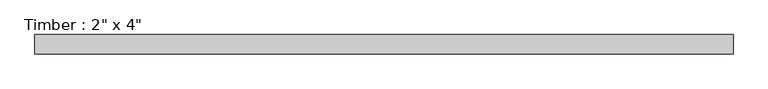
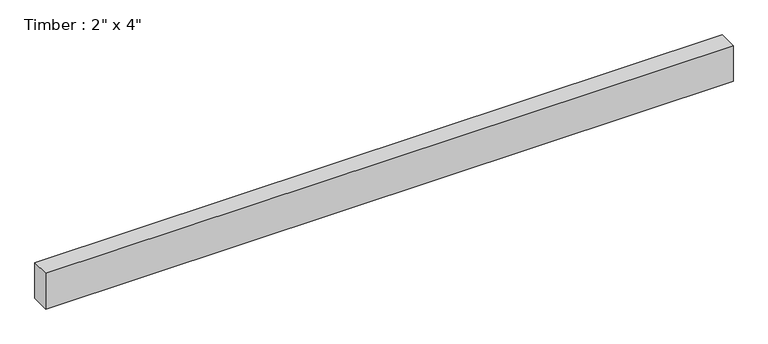
"""IFC4 building model written with IfcOpenShell, lengths in millimetres: beam geometry."""

import ifcopenshell
import ifcopenshell.guid

model = None  # the IFC model being written
_history = None  # IfcOwnerHistory: only IFC2X3 demands one
_inside = {}  # id of a spatial element -> (the spatial element, [elements in it])
_under = {}  # id of a project, library or spatial element -> (it, [spatial elements below it])
_declared = {}  # id of a project -> (the project, [libraries it declares])
_typed = {}  # id of a type object -> (the type object, [elements of that type])
_made_of = {}  # id of a material, layer set ... -> (it, [elements and type objects made of it])


def new_model(schema):
    """Start an empty IFC model of exactly this schema.

    Asked for "IFC4X3", IfcOpenShell would pick the latest addendum, in which some entities
    have other attributes; the version numbers below select the first issue.
    IFC2X3 requires an IfcOwnerHistory on every rooted entity: one is made here for all.
    """
    global model, _history
    if schema == "IFC4X3":
        model = ifcopenshell.file(schema_version=(4, 3, 0, 0))
    else:
        model = ifcopenshell.file(schema=schema)
    _inside.clear()
    _under.clear()
    _declared.clear()
    _typed.clear()
    _made_of.clear()
    _history = None
    if model.schema == "IFC2X3":
        org = make("IfcOrganization", Name="unknown")
        user = make(
            "IfcPersonAndOrganization",
            ThePerson=make("IfcPerson", FamilyName="unknown"),
            TheOrganization=org,
        )
        app = make(
            "IfcApplication",
            ApplicationDeveloper=org,
            Version="unknown",
            ApplicationFullName="unknown",
            ApplicationIdentifier="unknown",
        )
        _history = make(
            "IfcOwnerHistory",
            OwningUser=user,
            OwningApplication=app,
            ChangeAction="ADDED",
            CreationDate=0,
        )
    return model


def make(cls, **values):
    """One entity of the class cls with the attributes given. An attribute that is None is left unset."""
    return model.create_entity(
        cls, **{name: value for name, value in values.items() if value is not None}
    )


def rooted(cls, **values):
    """An entity with a GlobalId (a new one), such as an element, a storey or a relation."""
    return make(cls, GlobalId=ifcopenshell.guid.new(), OwnerHistory=_history, **values)


def si_unit(unit_type, name, prefix=None):
    """IfcSIUnit, for example si_unit("LENGTHUNIT", "METRE", prefix="MILLI")."""
    return make("IfcSIUnit", UnitType=unit_type, Prefix=prefix, Name=name)


def assignment(units):
    """IfcUnitAssignment: the units of a project."""
    return None if units is None else make("IfcUnitAssignment", Units=units)


def point(xyz):
    """IfcCartesianPoint."""
    return None if xyz is None else make("IfcCartesianPoint", Coordinates=xyz)


def direction(xyz):
    """IfcDirection."""
    return None if xyz is None else make("IfcDirection", DirectionRatios=xyz)


def frame(location, z_axis=None, x_axis=None):
    """IfcAxis2Placement3D, a coordinate frame: its origin and axes. An axis left out is left unset."""
    return make(
        "IfcAxis2Placement3D",
        Location=point(location),
        Axis=direction(z_axis),
        RefDirection=direction(x_axis),
    )


def origin():
    """The frame at (0, 0, 0) with its axes left unset."""
    return frame((0.0, 0.0, 0.0))


def place(relative_to, where):
    """IfcLocalPlacement: puts the frame where relative to a parent placement (None: the world)."""
    return make(
        "IfcLocalPlacement", PlacementRelTo=relative_to, RelativePlacement=where
    )


def context(
    kind, dimensions, precision=None, world=None, true_north=None, identifier=None
):
    """IfcGeometricRepresentationContext, for example the 3D "Model" context."""
    return make(
        "IfcGeometricRepresentationContext",
        ContextIdentifier=identifier,
        ContextType=kind,
        CoordinateSpaceDimension=dimensions,
        Precision=precision,
        WorldCoordinateSystem=world,
        TrueNorth=true_north,
    )


def project(units=None, contexts=None):
    """IfcProject with its units and contexts."""
    return rooted(
        "IfcProject",
        Name="project",
        RepresentationContexts=contexts,
        UnitsInContext=assignment(units),
    )


def spatial(cls, under=None, at=None, **own):
    """A site, building, storey or space (cls), placed at a placement, below another one or the project."""
    s = rooted(cls, ObjectPlacement=at, **own)
    if under is not None:
        _under.setdefault(under.id(), (under, []))[1].append(s)
    return s


def polyline(points):
    """IfcPolyline through the points."""
    return make("IfcPolyline", Points=[point(p) for p in points])


def outline(outer, holes=None, kind="AREA"):
    """IfcArbitraryClosedProfileDef: a profile drawn as a closed curve; with holes, ...WithVoids."""
    if holes is None:
        return make("IfcArbitraryClosedProfileDef", ProfileType=kind, OuterCurve=outer)
    return make(
        "IfcArbitraryProfileDefWithVoids",
        ProfileType=kind,
        OuterCurve=outer,
        InnerCurves=holes,
    )


def extrude(swept, where, along, depth):
    """IfcExtrudedAreaSolid: the profile swept, set in the frame where, extruded along a direction by depth."""
    return make(
        "IfcExtrudedAreaSolid",
        SweptArea=swept,
        Position=where,
        ExtrudedDirection=direction(along),
        Depth=depth,
    )


def shape(context_of_items, identifier, shape_type, items):
    """IfcShapeRepresentation: the items that make up one representation, for example the "Body"."""
    return make(
        "IfcShapeRepresentation",
        ContextOfItems=context_of_items,
        RepresentationIdentifier=identifier,
        RepresentationType=shape_type,
        Items=items,
    )


def source(mapping_origin, context_of_items, identifier, shape_type, items):
    """IfcRepresentationMap: a shape defined once, which mapped items show again and again."""
    return make(
        "IfcRepresentationMap",
        MappingOrigin=mapping_origin,
        MappedRepresentation=shape(context_of_items, identifier, shape_type, items),
    )


def transform(
    local_origin,
    x_axis=None,
    y_axis=None,
    z_axis=None,
    scale=None,
    scale2=None,
    scale3=None,
    uniform=True,
):
    """IfcCartesianTransformationOperator3D, or its non-uniform kind. x_axis, y_axis, z_axis: its Axis1, 2, 3."""
    if uniform:
        return make(
            "IfcCartesianTransformationOperator3D",
            Axis1=direction(x_axis),
            Axis2=direction(y_axis),
            LocalOrigin=point(local_origin),
            Scale=scale,
            Axis3=direction(z_axis),
        )
    return make(
        "IfcCartesianTransformationOperator3DnonUniform",
        Axis1=direction(x_axis),
        Axis2=direction(y_axis),
        LocalOrigin=point(local_origin),
        Scale=scale,
        Axis3=direction(z_axis),
        Scale2=scale2,
        Scale3=scale3,
    )


def mapped(mapping_source, mapping_target):
    """IfcMappedItem: shows the shape of a source again, moved by a transform."""
    return make(
        "IfcMappedItem", MappingSource=mapping_source, MappingTarget=mapping_target
    )


def made_of(thing, what):
    """Note that an element or type object is made of a material, layer set ...; save() writes the relation."""
    if what is not None:
        _made_of.setdefault(what.id(), (what, []))[1].append(thing)
    return thing


def element(
    cls,
    number,
    at=None,
    inside=None,
    cuts=None,
    type_object=None,
    material=None,
    context=None,
    identifier="Body",
    shape_type=None,
    held_by="IfcProductDefinitionShape",
    body=None,
    shapes=None,
    **own,
):
    """One element of the class cls, such as IfcWall. Its Tag is "e" and its number.

    at: its placement. inside: the storey or other place that contains it. cuts: it is an
    opening in that element (IfcRelVoidsElement). A single representation is given by context,
    identifier, shape_type and body (its items); several are given by shapes. held_by: the class
    of the entity that holds the representations. save() writes the other relations.
    """
    e = rooted(cls, Tag="e%d" % number, ObjectPlacement=at, **own)
    if body is not None:
        shapes = [shape(context, identifier, shape_type, body)]
    if shapes is not None:
        e.Representation = make(held_by, Representations=shapes)
    if inside is not None:
        _inside.setdefault(inside.id(), (inside, []))[1].append(e)
    if cuts is not None:
        rooted(
            "IfcRelVoidsElement", RelatingBuildingElement=cuts, RelatedOpeningElement=e
        )
    if type_object is not None:
        _typed.setdefault(type_object.id(), (type_object, []))[1].append(e)
    return made_of(e, material)


def aggregate(whole, parts):
    """IfcRelAggregates: a whole, such as a stair, and the parts it consists of."""
    return rooted("IfcRelAggregates", RelatingObject=whole, RelatedObjects=parts)


def save(model, path):
    """Write the relations noted so far, then the file.

    IfcRelAggregates (storeys below a building ...), IfcRelContainedInSpatialStructure (elements
    in a storey), IfcRelDefinesByType, IfcRelAssociatesMaterial and IfcRelDeclares: one each for
    every whole, place, type object, material and project.
    """
    for whole, parts in _under.values():
        aggregate(whole, parts)
    for where, things in _inside.values():
        rooted(
            "IfcRelContainedInSpatialStructure",
            RelatedElements=things,
            RelatingStructure=where,
        )
    for kind, things in _typed.values():
        rooted("IfcRelDefinesByType", RelatedObjects=things, RelatingType=kind)
    for what, things in _made_of.values():
        rooted("IfcRelAssociatesMaterial", RelatedObjects=things, RelatingMaterial=what)
    for by, libraries in _declared.values():
        rooted("IfcRelDeclares", RelatingContext=by, RelatedDefinitions=libraries)
    model.write(path)


def beam_35ff0bfc(model_context):
    return source(origin(), model_context, "Body", "SweptSolid", [
        extrude(outline(polyline([(923.984702, 25.4), (923.984702, -25.4), (-923.984702, -25.4), (-923.984702, 25.4), (923.984702, 25.4)])), frame((0.0, 0.0, -50.8), z_axis=(0.0, 0.0, 1.0), x_axis=(1.0, 0.0, 0.0)), (0.0, 0.0, 1.0), 101.6),
    ])


if __name__ == "__main__":
    model = new_model("IFC4")
    model_context = context("Model", 3, world=origin())
    ifc_project = project(units=[si_unit("LENGTHUNIT", "METRE", prefix="MILLI")], contexts=[model_context])
    site = spatial("IfcSite", under=ifc_project)
    building = spatial("IfcBuilding", under=site)
    placement = place(None, origin())
    beam_shape = beam_35ff0bfc(model_context)
    element("IfcBeam", 1, ObjectType="Timber : 2\" x 4\"", at=placement, inside=building, context=model_context, shape_type="MappedRepresentation", body=[
        mapped(beam_shape, transform((0.0, 0.0, 0.0), x_axis=(1.0, 0.0, 0.0), y_axis=(0.0, 1.0, 0.0), z_axis=(0.0, 0.0, 1.0))),
    ])
    save(model, "model.ifc")
